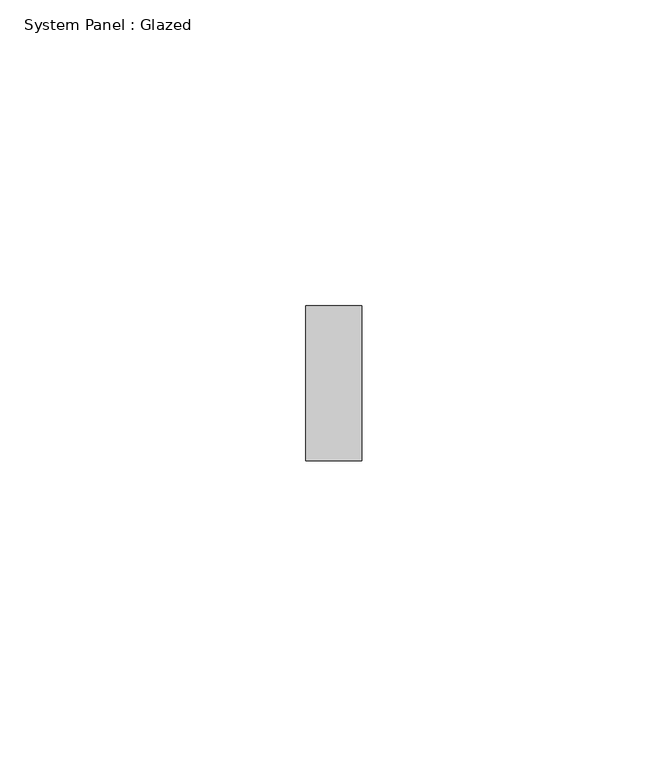
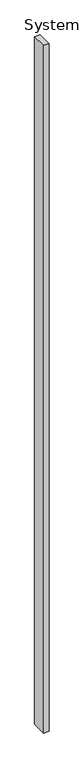
"""IFC4 building model written with IfcOpenShell, lengths in millimetres: plate geometry, System Panel : Glazed."""

from ifc_helpers import new_model, si_unit, origin, origin_with_axes, place, context, project, spatial, polyline, outline, extrude, source, transform, mapped, element, save


def system_panel_glazed_8d028576(model_context):
    return source(origin(), model_context, "Body", "SweptSolid", [
        extrude(outline(polyline([(4.6013366, 19.05), (-4.6013366, 19.05), (-4.6013366, 44.45), (4.6013366, 44.45), (4.6013366, 19.05)])), origin_with_axes(), (0.0, 0.0, 1.0), 1219.2),
    ])


if __name__ == "__main__":
    model = new_model("IFC4")
    model_context = context("Model", 3, world=origin())
    ifc_project = project(units=[si_unit("LENGTHUNIT", "METRE", prefix="MILLI")], contexts=[model_context])
    site = spatial("IfcSite", under=ifc_project)
    building = spatial("IfcBuilding", under=site)
    placement = place(None, origin())
    system_panel_glazed_shape = system_panel_glazed_8d028576(model_context)
    element("IfcPlate", 1, ObjectType="System Panel : Glazed", at=placement, inside=building, context=model_context, shape_type="MappedRepresentation", body=[
        mapped(system_panel_glazed_shape, transform((0.0, 0.0, 0.0), x_axis=(1.0, 0.0, 0.0), y_axis=(0.0, 1.0, 0.0), z_axis=(0.0, 0.0, 1.0))),
    ])
    save(model, "model.ifc")
